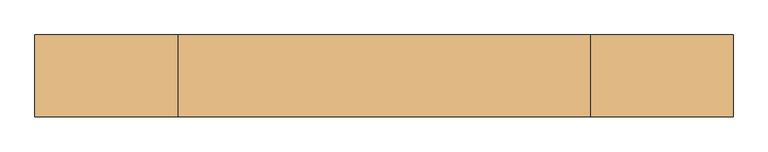
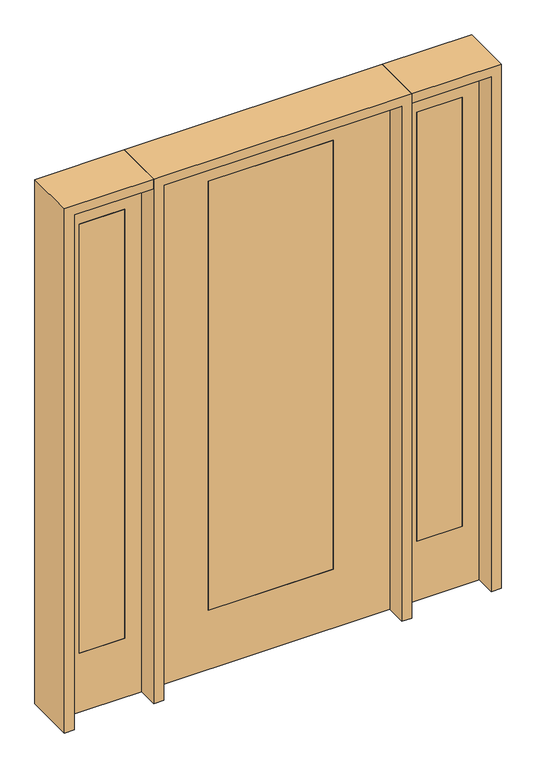
"""IFC4 building model written with IfcOpenShell, lengths in millimetres: door geometry."""

from ifc_helpers import new_model, si_unit, frame, origin, place, context, project, spatial, polyline, outline, extrude, source, transform, mapped, element, save


def door_11dcb6e3(model_context):
    return source(origin(), model_context, "Body", "SweptSolid", [
        extrude(outline(polyline([(654.05, -20.6375), (654.05, 20.6375), (857.25, 20.6375), (857.25, -20.6375), (654.05, -20.6375)])), frame((0.0, 0.0, 279.4), z_axis=(0.0, 0.0, 1.0), x_axis=(1.0, 0.0, 0.0)), (0.0, 0.0, 1.0), 2032.0),
        extrude(outline(polyline([(0.0, 933.45), (2438.4, 933.45), (2438.4, 577.85), (0.0, 577.85), (0.0, 933.45)]), holes=[polyline([(2311.4, 654.05), (2311.4, 857.25), (279.4, 857.25), (279.4, 654.05), (2311.4, 654.05)])]), frame((0.0, -20.6375, 0.0), z_axis=(0.0, 1.0, 0.0), x_axis=(0.0, 0.0, 1.0)), (0.0, 0.0, 1.0), 41.275),
        extrude(outline(polyline([(-654.05, -20.6375), (-857.25, -20.6375), (-857.25, 20.6375), (-654.05, 20.6375), (-654.05, -20.6375)])), frame((0.0, 0.0, 279.4), z_axis=(0.0, 0.0, 1.0), x_axis=(1.0, 0.0, 0.0)), (0.0, 0.0, 1.0), 2032.0),
        extrude(outline(polyline([(0.0, -933.45), (0.0, -577.85), (2438.4, -577.85), (2438.4, -933.45), (0.0, -933.45)]), holes=[polyline([(2311.4, -654.05), (279.4, -654.05), (279.4, -857.25), (2311.4, -857.25), (2311.4, -654.05)])]), frame((0.0, -20.6375, 0.0), z_axis=(0.0, 1.0, 0.0), x_axis=(0.0, 0.0, 1.0)), (0.0, 0.0, 1.0), 41.275),
        extrude(outline(polyline([(2438.4, 533.4), (2438.4, -533.4), (0.0, -533.4), (0.0, 533.4), (2438.4, 533.4)]), holes=[polyline([(279.4, 279.4), (279.4, -279.4), (2311.4, -279.4), (2311.4, 279.4), (279.4, 279.4)])]), frame((0.0, -20.6375, 0.0), z_axis=(0.0, 1.0, 0.0), x_axis=(0.0, 0.0, 1.0)), (0.0, 0.0, 1.0), 41.275),
        extrude(outline(polyline([(279.4, -20.6375), (-279.4, -20.6375), (-279.4, 20.6375), (279.4, 20.6375), (279.4, -20.6375)])), frame((0.0, 0.0, 279.4), z_axis=(0.0, 0.0, 1.0), x_axis=(1.0, 0.0, 0.0)), (0.0, 0.0, 1.0), 2032.0),
        extrude(outline(polyline([(2438.4, -577.85), (2482.85, -577.85), (2482.85, -977.9), (0.0, -977.9), (0.0, -933.45), (2438.4, -933.45), (2438.4, -577.85)])), frame((0.0, -114.3, 0.0), z_axis=(0.0, 1.0, 0.0), x_axis=(0.0, 0.0, 1.0)), (0.0, 0.0, 1.0), 228.6),
        extrude(outline(polyline([(2482.85, -577.85), (0.0, -577.85), (0.0, -533.4), (2438.4, -533.4), (2438.4, 533.4), (0.0, 533.4), (0.0, 577.85), (2482.85, 577.85), (2482.85, -577.85)])), frame((0.0, -114.3, 0.0), z_axis=(0.0, 1.0, 0.0), x_axis=(0.0, 0.0, 1.0)), (0.0, 0.0, 1.0), 228.6),
        extrude(outline(polyline([(0.0, 933.45), (0.0, 977.9), (2482.85, 977.9), (2482.85, 577.85), (2438.4, 577.85), (2438.4, 933.45), (0.0, 933.45)])), frame((0.0, -114.3, 0.0), z_axis=(0.0, 1.0, 0.0), x_axis=(0.0, 0.0, 1.0)), (0.0, 0.0, 1.0), 228.6),
    ])


if __name__ == "__main__":
    model = new_model("IFC4")
    model_context = context("Model", 3, world=origin())
    ifc_project = project(units=[si_unit("LENGTHUNIT", "METRE", prefix="MILLI")], contexts=[model_context])
    site = spatial("IfcSite", under=ifc_project)
    building = spatial("IfcBuilding", under=site)
    placement = place(None, origin())
    door_shape = door_11dcb6e3(model_context)
    element("IfcDoor", 1, at=placement, inside=building, context=model_context, shape_type="MappedRepresentation", body=[
        mapped(door_shape, transform((0.0, 0.0, 0.0), x_axis=(1.0, 0.0, 0.0), y_axis=(0.0, 1.0, 0.0), z_axis=(0.0, 0.0, 1.0))),
    ])
    save(model, "model.ifc")
